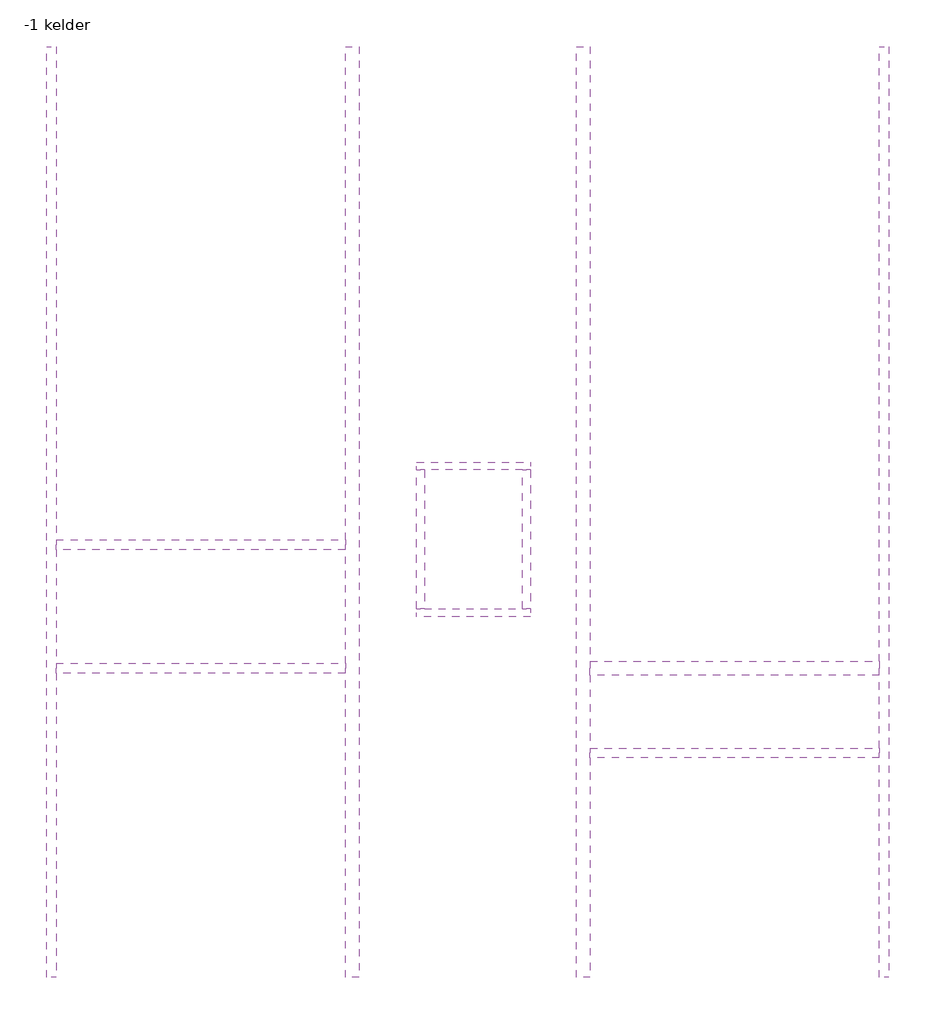
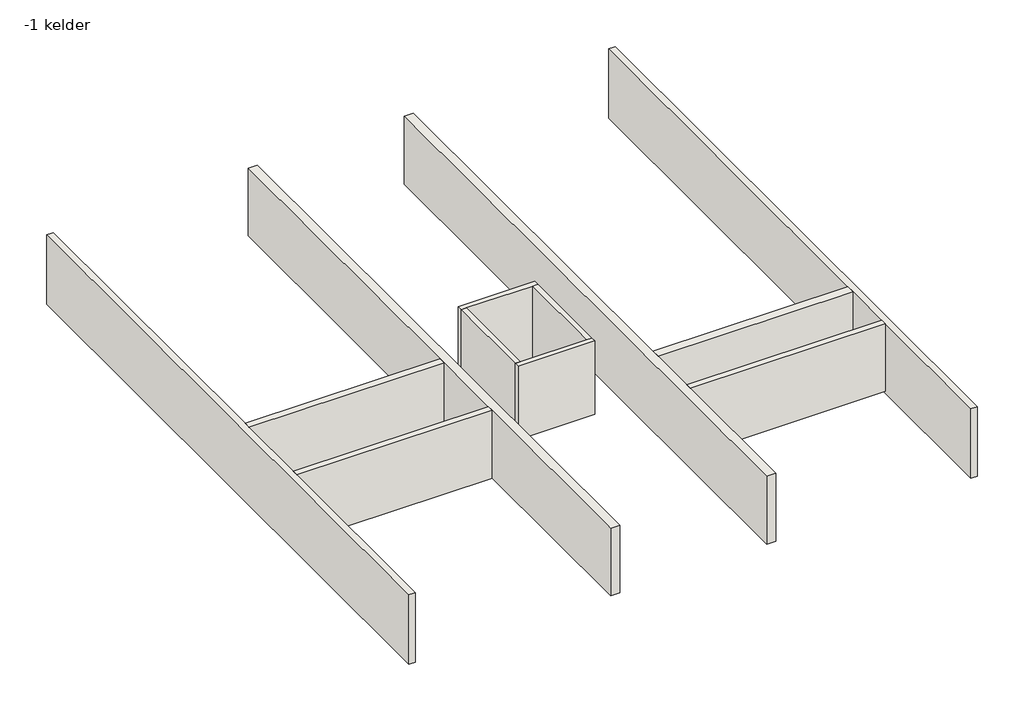
# One storey: 12 walls.
"""IFC4 building model written with IfcOpenShell, lengths in millimetres."""

import ifcopenshell
import ifcopenshell.guid

model = None  # the IFC model being written
_history = None  # IfcOwnerHistory: only IFC2X3 demands one
_inside = {}  # id of a spatial element -> (the spatial element, [elements in it])
_under = {}  # id of a project, library or spatial element -> (it, [spatial elements below it])
_declared = {}  # id of a project -> (the project, [libraries it declares])
_typed = {}  # id of a type object -> (the type object, [elements of that type])
_made_of = {}  # id of a material, layer set ... -> (it, [elements and type objects made of it])


def new_model(schema):
    """Start an empty IFC model of exactly this schema.

    Asked for "IFC4X3", IfcOpenShell would pick the latest addendum, in which some entities
    have other attributes; the version numbers below select the first issue.
    IFC2X3 requires an IfcOwnerHistory on every rooted entity: one is made here for all.
    """
    global model, _history
    if schema == "IFC4X3":
        model = ifcopenshell.file(schema_version=(4, 3, 0, 0))
    else:
        model = ifcopenshell.file(schema=schema)
    _inside.clear()
    _under.clear()
    _declared.clear()
    _typed.clear()
    _made_of.clear()
    _history = None
    if model.schema == "IFC2X3":
        org = make("IfcOrganization", Name="unknown")
        user = make(
            "IfcPersonAndOrganization",
            ThePerson=make("IfcPerson", FamilyName="unknown"),
            TheOrganization=org,
        )
        app = make(
            "IfcApplication",
            ApplicationDeveloper=org,
            Version="unknown",
            ApplicationFullName="unknown",
            ApplicationIdentifier="unknown",
        )
        _history = make(
            "IfcOwnerHistory",
            OwningUser=user,
            OwningApplication=app,
            ChangeAction="ADDED",
            CreationDate=0,
        )
    return model


def make(cls, **values):
    """One entity of the class cls with the attributes given. An attribute that is None is left unset."""
    return model.create_entity(
        cls, **{name: value for name, value in values.items() if value is not None}
    )


def rooted(cls, **values):
    """An entity with a GlobalId (a new one), such as an element, a storey or a relation."""
    return make(cls, GlobalId=ifcopenshell.guid.new(), OwnerHistory=_history, **values)


def si_unit(unit_type, name, prefix=None):
    """IfcSIUnit, for example si_unit("LENGTHUNIT", "METRE", prefix="MILLI")."""
    return make("IfcSIUnit", UnitType=unit_type, Prefix=prefix, Name=name)


def assignment(units):
    """IfcUnitAssignment: the units of a project."""
    return None if units is None else make("IfcUnitAssignment", Units=units)


def point(xyz):
    """IfcCartesianPoint."""
    return None if xyz is None else make("IfcCartesianPoint", Coordinates=xyz)


def direction(xyz):
    """IfcDirection."""
    return None if xyz is None else make("IfcDirection", DirectionRatios=xyz)


def frame(location, z_axis=None, x_axis=None):
    """IfcAxis2Placement3D, a coordinate frame: its origin and axes. An axis left out is left unset."""
    return make(
        "IfcAxis2Placement3D",
        Location=point(location),
        Axis=direction(z_axis),
        RefDirection=direction(x_axis),
    )


def origin():
    """The frame at (0, 0, 0) with its axes left unset."""
    return frame((0.0, 0.0, 0.0))


def place(relative_to, where):
    """IfcLocalPlacement: puts the frame where relative to a parent placement (None: the world)."""
    return make(
        "IfcLocalPlacement", PlacementRelTo=relative_to, RelativePlacement=where
    )


def context(
    kind, dimensions, precision=None, world=None, true_north=None, identifier=None
):
    """IfcGeometricRepresentationContext, for example the 3D "Model" context."""
    return make(
        "IfcGeometricRepresentationContext",
        ContextIdentifier=identifier,
        ContextType=kind,
        CoordinateSpaceDimension=dimensions,
        Precision=precision,
        WorldCoordinateSystem=world,
        TrueNorth=true_north,
    )


def project(units=None, contexts=None):
    """IfcProject with its units and contexts."""
    return rooted(
        "IfcProject",
        Name="project",
        RepresentationContexts=contexts,
        UnitsInContext=assignment(units),
    )


def spatial(cls, under=None, at=None, **own):
    """A site, building, storey or space (cls), placed at a placement, below another one or the project."""
    s = rooted(cls, ObjectPlacement=at, **own)
    if under is not None:
        _under.setdefault(under.id(), (under, []))[1].append(s)
    return s


def polyline(points):
    """IfcPolyline through the points."""
    return make("IfcPolyline", Points=[point(p) for p in points])


def outline(outer, holes=None, kind="AREA"):
    """IfcArbitraryClosedProfileDef: a profile drawn as a closed curve; with holes, ...WithVoids."""
    if holes is None:
        return make("IfcArbitraryClosedProfileDef", ProfileType=kind, OuterCurve=outer)
    return make(
        "IfcArbitraryProfileDefWithVoids",
        ProfileType=kind,
        OuterCurve=outer,
        InnerCurves=holes,
    )


def extrude(swept, where, along, depth):
    """IfcExtrudedAreaSolid: the profile swept, set in the frame where, extruded along a direction by depth."""
    return make(
        "IfcExtrudedAreaSolid",
        SweptArea=swept,
        Position=where,
        ExtrudedDirection=direction(along),
        Depth=depth,
    )


def faces_of(points, faces, orient=None, outer=None):
    """IfcFace entities. A face is a list of loops; a loop is a list of indices into points, from 0.

    orient and outer hold one flag for each loop. By default every Orientation is true, the
    first loop of a face is its IfcFaceOuterBound and the others are IfcFaceBound.
    """
    made = []
    for i, loops in enumerate(faces):
        bounds = []
        for j, loop in enumerate(loops):
            is_outer = j == 0 if outer is None else outer[i][j]
            bounds.append(
                make(
                    "IfcFaceOuterBound" if is_outer else "IfcFaceBound",
                    Bound=make("IfcPolyLoop", Polygon=[points[k] for k in loop]),
                    Orientation=True if orient is None else orient[i][j],
                )
            )
        made.append(make("IfcFace", Bounds=bounds))
    return made


def faceted_brep(points, faces, orient=None, outer=None, voids=None):
    """IfcFacetedBrep: a solid bounded by flat faces; with voids (closed shells), ...WithVoids."""
    shared = [point(p) for p in points]
    hull = make("IfcClosedShell", CfsFaces=faces_of(shared, faces, orient, outer))
    if voids is None:
        return make("IfcFacetedBrep", Outer=hull)
    return make(
        "IfcFacetedBrepWithVoids",
        Outer=hull,
        Voids=[
            make(cls, CfsFaces=faces_of(shared, fs, o, b)) for cls, fs, o, b in voids
        ],
    )


def shape(context_of_items, identifier, shape_type, items):
    """IfcShapeRepresentation: the items that make up one representation, for example the "Body"."""
    return make(
        "IfcShapeRepresentation",
        ContextOfItems=context_of_items,
        RepresentationIdentifier=identifier,
        RepresentationType=shape_type,
        Items=items,
    )


def made_of(thing, what):
    """Note that an element or type object is made of a material, layer set ...; save() writes the relation."""
    if what is not None:
        _made_of.setdefault(what.id(), (what, []))[1].append(thing)
    return thing


def element(
    cls,
    number,
    at=None,
    inside=None,
    cuts=None,
    type_object=None,
    material=None,
    context=None,
    identifier="Body",
    shape_type=None,
    held_by="IfcProductDefinitionShape",
    body=None,
    shapes=None,
    **own,
):
    """One element of the class cls, such as IfcWall. Its Tag is "e" and its number.

    at: its placement. inside: the storey or other place that contains it. cuts: it is an
    opening in that element (IfcRelVoidsElement). A single representation is given by context,
    identifier, shape_type and body (its items); several are given by shapes. held_by: the class
    of the entity that holds the representations. save() writes the other relations.
    """
    e = rooted(cls, Tag="e%d" % number, ObjectPlacement=at, **own)
    if body is not None:
        shapes = [shape(context, identifier, shape_type, body)]
    if shapes is not None:
        e.Representation = make(held_by, Representations=shapes)
    if inside is not None:
        _inside.setdefault(inside.id(), (inside, []))[1].append(e)
    if cuts is not None:
        rooted(
            "IfcRelVoidsElement", RelatingBuildingElement=cuts, RelatedOpeningElement=e
        )
    if type_object is not None:
        _typed.setdefault(type_object.id(), (type_object, []))[1].append(e)
    return made_of(e, material)


def aggregate(whole, parts):
    """IfcRelAggregates: a whole, such as a stair, and the parts it consists of."""
    return rooted("IfcRelAggregates", RelatingObject=whole, RelatedObjects=parts)


def save(model, path):
    """Write the relations noted so far, then the file.

    IfcRelAggregates (storeys below a building ...), IfcRelContainedInSpatialStructure (elements
    in a storey), IfcRelDefinesByType, IfcRelAssociatesMaterial and IfcRelDeclares: one each for
    every whole, place, type object, material and project.
    """
    for whole, parts in _under.values():
        aggregate(whole, parts)
    for where, things in _inside.values():
        rooted(
            "IfcRelContainedInSpatialStructure",
            RelatedElements=things,
            RelatingStructure=where,
        )
    for kind, things in _typed.values():
        rooted("IfcRelDefinesByType", RelatedObjects=things, RelatingType=kind)
    for what, things in _made_of.values():
        rooted("IfcRelAssociatesMaterial", RelatedObjects=things, RelatingMaterial=what)
    for by, libraries in _declared.values():
        rooted("IfcRelDeclares", RelatingContext=by, RelatedDefinitions=libraries)
    model.write(path)


model = new_model("IFC4")

# Units and contexts
model_context = context("Model", 3, world=origin())
ifc_project = project(units=[si_unit("LENGTHUNIT", "METRE", prefix="MILLI")], contexts=[model_context])

# Site, building, storey
site = spatial("IfcSite", under=ifc_project)
building = spatial("IfcBuilding", under=site)
storey = spatial("IfcBuildingStorey", under=building, Name="-1 kelder", Elevation=-3910.0)

# Walls
placement = place(None, origin())
element("IfcWall", 1, at=placement, inside=storey, context=model_context, shape_type="Brep", body=[
    faceted_brep([(-975.0, 3600.0000001, -345.0), (-975.0, -20530.0, -345.0), (-975.0, -20530.0, 2475.0), (-975.0, 3600.0000001, 2475.0), (-725.0, 3600.0000001, -345.0), (-725.0, 3600.0000001, 2475.0), (-725.0, -9190.0, 2475.0), (-725.0, -9440.0, 2475.0), (-725.0, -12390.0, 2475.0), (-725.0, -12640.0, 2475.0), (-725.0, -20530.0, 2475.0), (-725.0, -20530.0, -345.0)], [[[0, 1, 2, 3]], [[4, 5, 6, 7, 8, 9, 10, 11]], [[1, 0, 4, 11]], [[2, 1, 11, 10]], [[3, 2, 10, 9, 8, 7, 6, 5]], [[0, 3, 5, 4]]]),
])
element("IfcWall", 2, at=placement, inside=storey, context=model_context, shape_type="Brep", body=[
    faceted_brep([(6775.0, 3600.0000001, -275.0), (6775.0, -9190.0, -275.0), (6775.0, -9440.0, -275.0), (6775.0, -12390.0, -275.0), (6775.0, -12640.0, -275.0), (6775.0, -20530.0, -275.0), (6775.0, -20530.0, 2475.0), (6775.0, -12640.0, 2475.0), (6775.0, -12390.0, 2475.0), (6775.0, -9440.0, 2475.0), (6775.0, -9190.0, 2475.0), (6775.0, 3600.0000001, 2475.0), (7125.0, 3600.0000001, -275.0), (7125.0, 3600.0000001, 2475.0), (7125.0, -20530.0, 2475.0), (7125.0, -20530.0, -275.0)], [[[0, 1, 2, 3, 4, 5, 6, 7, 8, 9, 10, 11]], [[12, 13, 14, 15]], [[5, 4, 3, 2, 1, 0, 12, 15]], [[6, 5, 15, 14]], [[11, 10, 9, 8, 7, 6, 14, 13]], [[0, 11, 13, 12]]]),
])
element("IfcWall", 3, at=placement, inside=storey, context=model_context, shape_type="Brep", body=[
    faceted_brep([(13125.0, -20530.0, -275.0), (13125.0, -14833.6244985, -275.0), (13125.0, -14583.6244985, -275.0), (13125.0, -12690.0, -275.0), (13125.0, -12340.0, -275.0), (13125.0, 3600.0000001, -275.0), (13125.0, 3600.0000001, 2475.0), (13125.0, -12340.0, 2475.0), (13125.0, -12690.0, 2475.0), (13125.0, -14583.6244985, 2475.0), (13125.0, -14833.6244985, 2475.0), (13125.0, -20530.0, 2475.0), (12775.0, -20530.0, -275.0), (12775.0, -20530.0, 2475.0), (12775.0, 3600.0000001, 2475.0), (12775.0, 3600.0000001, -275.0)], [[[0, 1, 2, 3, 4, 5, 6, 7, 8, 9, 10, 11]], [[12, 13, 14, 15]], [[5, 4, 3, 2, 1, 0, 12, 15]], [[6, 5, 15, 14]], [[11, 10, 9, 8, 7, 6, 14, 13]], [[0, 11, 13, 12]]]),
])
element("IfcWall", 4, at=placement, inside=storey, context=model_context, shape_type="Brep", body=[
    faceted_brep([(20625.0, 3600.0000001, -345.0), (20625.0, -20530.0, -345.0), (20625.0, -20530.0, 2475.0), (20625.0, -14833.6244985, 2475.0), (20625.0, -14583.6244985, 2475.0), (20625.0, -12690.0, 2475.0), (20625.0, -12340.0, 2475.0), (20625.0, 3600.0000001, 2475.0), (20875.0, 3600.0000001, -345.0), (20875.0, 3600.0000001, 2475.0), (20875.0, -20530.0, 2475.0), (20875.0, -20530.0, -345.0)], [[[0, 1, 2, 3, 4, 5, 6, 7]], [[8, 9, 10, 11]], [[1, 0, 8, 11]], [[2, 1, 11, 10]], [[7, 6, 5, 4, 3, 2, 10, 9]], [[0, 7, 9, 8]]]),
])
element("IfcWall", 5, at=placement, inside=storey, context=model_context, shape_type="Brep", body=[
    faceted_brep([(8625.0, -7375.0, -255.0), (8825.0, -7375.0, -255.0), (11375.0, -7375.0, -255.0), (11575.0, -7375.0, -255.0), (11575.0, -7375.0, 2725.0), (11375.0, -7375.0, 2725.0), (8825.0, -7375.0, 2725.0), (8625.0, -7375.0, 2725.0), (8625.0, -7175.0, -255.0), (8625.0, -7175.0, 2725.0), (11575.0, -7175.0, 2725.0), (11575.0, -7175.0, -255.0)], [[[0, 1, 2, 3, 4, 5, 6, 7]], [[8, 9, 10, 11]], [[3, 2, 1, 0, 8, 11]], [[7, 6, 5, 4, 10, 9]], [[0, 7, 9, 8]], [[4, 3, 11, 10]]]),
])
element("IfcWall", 6, at=placement, inside=storey, context=model_context, shape_type="Brep", body=[
    faceted_brep([(8625.0, -11175.0, -255.0), (11575.0, -11175.0, -255.0), (11575.0, -11175.0, 2725.0), (8625.0, -11175.0, 2725.0), (8625.0, -10975.0, -255.0), (8625.0, -10975.0, 2725.0), (8825.0, -10975.0, 2725.0), (11375.0, -10975.0, 2725.0), (11575.0, -10975.0, 2725.0), (11575.0, -10975.0, -255.0), (11375.0, -10975.0, -255.0), (8825.0, -10975.0, -255.0)], [[[0, 1, 2, 3]], [[4, 5, 6, 7, 8, 9, 10, 11]], [[1, 0, 4, 11, 10, 9]], [[3, 2, 8, 7, 6, 5]], [[0, 3, 5, 4]], [[2, 1, 9, 8]]]),
])
element("IfcWall", 7, at=placement, inside=storey, context=model_context, shape_type="SweptSolid", body=[
    extrude(outline(polyline([(8825.0, -7375.0), (8825.0, -10975.0), (8625.0, -10975.0), (8625.0, -7375.0), (8825.0, -7375.0)])), frame((0.0, 0.0, -255.0), z_axis=(0.0, 0.0, 1.0), x_axis=(1.0, 0.0, 0.0)), (0.0, 0.0, 1.0), 2980.0),
])
element("IfcWall", 8, at=placement, inside=storey, context=model_context, shape_type="SweptSolid", body=[
    extrude(outline(polyline([(11575.0, -7375.0), (11575.0, -10975.0), (11375.0, -10975.0), (11375.0, -7375.0), (11575.0, -7375.0)])), frame((0.0, 0.0, -255.0), z_axis=(0.0, 0.0, 1.0), x_axis=(1.0, 0.0, 0.0)), (0.0, 0.0, 1.0), 2980.0),
])
element("IfcWall", 9, at=placement, inside=storey, context=model_context, shape_type="SweptSolid", body=[
    extrude(outline(polyline([(6775.0, -12640.0), (-725.0, -12640.0), (-725.0, -12390.0), (6775.0, -12390.0), (6775.0, -12640.0)])), frame((0.0, 0.0, -275.0), z_axis=(0.0, 0.0, 1.0), x_axis=(1.0, 0.0, 0.0)), (0.0, 0.0, 1.0), 2750.0),
])
element("IfcWall", 10, at=placement, inside=storey, context=model_context, shape_type="SweptSolid", body=[
    extrude(outline(polyline([(13125.0, -12340.0), (20625.0, -12340.0), (20625.0, -12690.0), (13125.0, -12690.0), (13125.0, -12340.0)])), frame((0.0, 0.0, -275.0), z_axis=(0.0, 0.0, 1.0), x_axis=(1.0, 0.0, 0.0)), (0.0, 0.0, 1.0), 2750.0),
])
element("IfcWall", 11, at=placement, inside=storey, context=model_context, shape_type="SweptSolid", body=[
    extrude(outline(polyline([(6775.0, -9440.0), (-725.0, -9440.0), (-725.0, -9190.0), (6775.0, -9190.0), (6775.0, -9440.0)])), frame((0.0, 0.0, -275.0), z_axis=(0.0, 0.0, 1.0), x_axis=(1.0, 0.0, 0.0)), (0.0, 0.0, 1.0), 2750.0),
])
element("IfcWall", 12, at=placement, inside=storey, context=model_context, shape_type="SweptSolid", body=[
    extrude(outline(polyline([(20625.0, -14833.6244985), (13125.0, -14833.6244985), (13125.0, -14583.6244985), (20625.0, -14583.6244985), (20625.0, -14833.6244985)])), frame((0.0, 0.0, -275.0), z_axis=(0.0, 0.0, 1.0), x_axis=(1.0, 0.0, 0.0)), (0.0, 0.0, 1.0), 2750.0),
])

save(model, "model.ifc")
